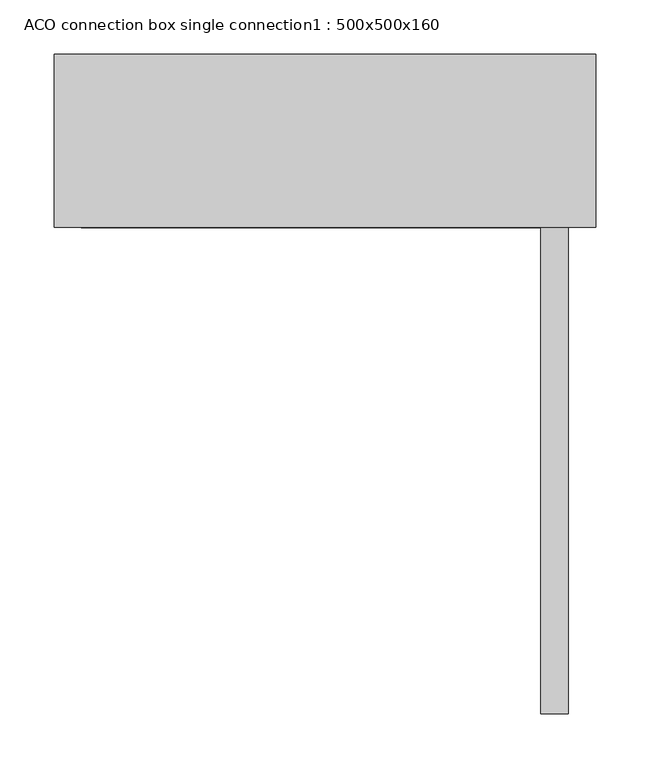
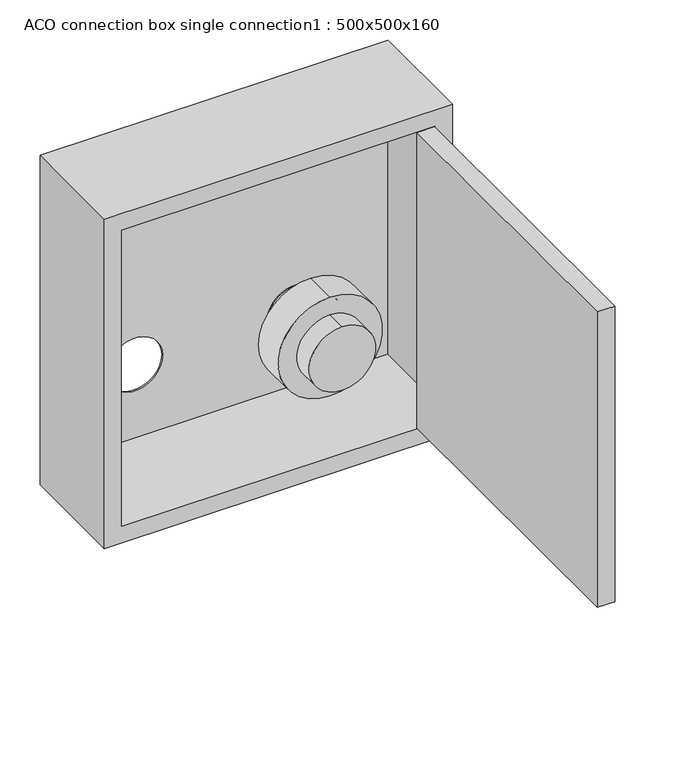
"""IFC4 building model written with IfcOpenShell, lengths in millimetres: furniture geometry, ACO connection box single connection1 : 500x500x160."""

from ifc_helpers import new_model, si_unit, point, frame, frame_2d, origin, place, context, project, spatial, polyline, circle_curve, trimmed, segment, composite_curve, outline, extrude, source, transform, mapped, element, save
from ifc_brep_helpers import plane_surface, cylinder_surface, revolved_surface, advanced_brep


def aco_connection_box_single_connection1_500x500x160_e2bdd59b(model_context):
    return source(origin(), model_context, "Body", "SolidModel", [
        extrude(outline(composite_curve([segment(trimmed(circle_curve(frame_2d((136.5, 115.0)), 25.0), [point((111.5, 115.0))], [point((161.5, 115.0))], False, "CARTESIAN"), True, "CONTINUOUS"), segment(trimmed(circle_curve(frame_2d((136.5, 115.0)), 25.0), [point((161.5, 115.0))], [point((111.5, 115.0))], False, "CARTESIAN"), True, "CONTINUOUS")], self_intersect=False)), frame((0.0, 148.0, 0.0), z_axis=(0.0, 1.0, 0.0), x_axis=(0.0, 0.0, 1.0)), (0.0, 0.0, 1.0), 12.0),
        advanced_brep(
        [(115.0, 148.0, 88.5), (115.0, 148.0, 184.5), (115.0, 40.0, 88.5), (115.0, 40.0, 184.5), (115.0, 118.0, 184.5), (115.0, 118.0, 88.5), (115.0, 70.0, 88.5), (115.0, 70.0, 184.5), (115.0, 118.0, 61.5), (115.0, 118.0, 211.5), (115.0, 70.0, 61.5), (115.0, 70.0, 211.5)],
        [
            (0, 1, circle_curve(frame((115.0, 148.0, 136.5), z_axis=(0.0, 1.0, 0.0), x_axis=(0.0, 0.0, 1.0)), 48.0)),
            (1, 0, circle_curve(frame((115.0, 148.0, 136.5), z_axis=(0.0, 1.0, 0.0), x_axis=(0.0, 0.0, 1.0)), 48.0)),
            (2, 3, circle_curve(frame((115.0, 40.0, 136.5), z_axis=(0.0, -1.0, 0.0), x_axis=(0.0, 0.0, 1.0)), 48.0)),
            (3, 2, circle_curve(frame((115.0, 40.0, 136.5), z_axis=(0.0, -1.0, 0.0), x_axis=(0.0, 0.0, 1.0)), 48.0)),
            (1, 4),
            (4, 5, circle_curve(frame((115.0, 118.0, 136.5), z_axis=(0.0, 1.0, 0.0), x_axis=(0.0, 0.0, 1.0)), 48.0)),
            (5, 0),
            (2, 6),
            (6, 7, circle_curve(frame((115.0, 70.0, 136.5), z_axis=(0.0, -1.0, 0.0), x_axis=(0.0, 0.0, 1.0)), 48.0)),
            (7, 3),
            (5, 4, circle_curve(frame((115.0, 118.0, 136.5), z_axis=(0.0, 1.0, 0.0), x_axis=(0.0, 0.0, 1.0)), 48.0)),
            (7, 6, circle_curve(frame((115.0, 70.0, 136.5), z_axis=(0.0, -1.0, 0.0), x_axis=(0.0, 0.0, 1.0)), 48.0)),
            (8, 9, circle_curve(frame((115.0, 118.0, 136.5), z_axis=(0.0, 1.0, 0.0), x_axis=(0.0, 0.0, 1.0)), 75.0)),
            (9, 8, circle_curve(frame((115.0, 118.0, 136.5), z_axis=(0.0, 1.0, 0.0), x_axis=(0.0, 0.0, 1.0)), 75.0)),
            (10, 11, circle_curve(frame((115.0, 70.0, 136.5), z_axis=(0.0, -1.0, 0.0), x_axis=(0.0, 0.0, 1.0)), 75.0)),
            (11, 10, circle_curve(frame((115.0, 70.0, 136.5), z_axis=(0.0, -1.0, 0.0), x_axis=(0.0, 0.0, 1.0)), 75.0)),
            (9, 11),
            (10, 8),
        ],
        [
            plane_surface(frame((115.0, 148.0, 184.5), z_axis=(0.0, 1.0, 0.0), x_axis=(1.0, 0.0, 0.0))),
            plane_surface(frame((115.0, 40.0, 184.5), z_axis=(0.0, -1.0, 0.0), x_axis=(-1.0, 0.0, 0.0))),
            cylinder_surface(frame((115.0, 148.0, 136.5), z_axis=(0.0, -1.0, 0.0), x_axis=(0.0, 0.0, 1.0)), 48.0),
            plane_surface(frame((115.0, 118.0, 211.5), z_axis=(0.0, 1.0, 0.0), x_axis=(1.0, 0.0, 0.0))),
            plane_surface(frame((115.0, 70.0, 211.5), z_axis=(0.0, -1.0, 0.0), x_axis=(-1.0, 0.0, 0.0))),
            cylinder_surface(frame((115.0, 118.0, 136.5), z_axis=(0.0, -1.0, 0.0), x_axis=(0.0, 0.0, 1.0)), 75.0),
        ],
        [
            (0, [[1, 2]]),
            (1, [[3, 4]]),
            (2, [[-2, 5, 6, 7]]),
            (2, [[-3, 8, 9, 10]]),
            (2, [[-1, -7, 11, -5]]),
            (2, [[-4, -10, 12, -8]]),
            (3, [[13, 14], [-6, -11]]),
            (4, [[15, 16], [-9, -12]]),
            (5, [[-14, 17, -15, 18]]),
            (5, [[-13, -18, -16, -17]]),
        ],
    ),
        extrude(outline(polyline([(199.5, -449.0), (199.5, 0.0), (224.5, 0.0), (224.5, -449.0), (199.5, -449.0)])), frame((0.0, 0.0, 25.5), z_axis=(0.0, 0.0, 1.0), x_axis=(1.0, 0.0, 0.0)), (0.0, 0.0, 1.0), 449.0),
        advanced_brep(
        [(250.0, 160.0, 500.0), (-250.0, 160.0, 500.0), (-250.0, 0.0, 500.0), (250.0, 0.0, 500.0), (250.0, 160.0, 0.0), (250.0, 0.0, 0.0), (-250.0, 0.0, 0.0), (-250.0, 160.0, 0.0), (-155.0, 160.0, 136.5), (-75.0, 160.0, 136.5), (75.0, 160.0, 136.5), (155.0, 160.0, 136.5), (-225.0, 0.0, 475.0), (225.0, 0.0, 475.0), (225.0, 0.0, 25.0), (-225.0, 0.0, 25.0), (248.0, 158.0, 475.0), (248.0, 2.0, 475.0), (225.0, 2.0, 475.0), (-225.0, 2.0, 475.0), (-248.0, 2.0, 475.0), (-248.0, 158.0, 475.0), (248.0, 158.0, 25.0), (-248.0, 158.0, 25.0), (-248.0, 2.0, 25.0), (-225.0, 2.0, 25.0), (225.0, 2.0, 25.0), (248.0, 2.0, 25.0), (-75.0, 158.0, 136.5), (-155.0, 158.0, 136.5), (155.0, 158.0, 136.5), (75.0, 158.0, 136.5)],
        [
            (0, 1),
            (1, 2),
            (2, 3),
            (3, 0),
            (4, 5),
            (5, 6),
            (6, 7),
            (7, 4),
            (0, 4),
            (7, 1),
            (8, 9, circle_curve(frame((-115.0, 160.0, 136.5), z_axis=(0.0, -1.0, 0.0), x_axis=(1.0, 0.0, 0.0)), 40.0)),
            (9, 8, circle_curve(frame((-115.0, 160.0, 136.5), z_axis=(0.0, -1.0, 0.0), x_axis=(1.0, 0.0, 0.0)), 40.0)),
            (10, 11, circle_curve(frame((115.0, 160.0, 136.5), z_axis=(0.0, -1.0, 0.0), x_axis=(1.0, 0.0, 0.0)), 40.0)),
            (11, 10, circle_curve(frame((115.0, 160.0, 136.5), z_axis=(0.0, -1.0, 0.0), x_axis=(1.0, 0.0, 0.0)), 40.0)),
            (6, 2),
            (5, 3),
            (12, 13),
            (13, 14),
            (14, 15),
            (15, 12),
            (16, 17),
            (17, 18),
            (18, 13),
            (12, 19),
            (19, 20),
            (20, 21),
            (21, 16),
            (22, 23),
            (23, 24),
            (24, 25),
            (25, 15),
            (14, 26),
            (26, 27),
            (27, 22),
            (21, 23),
            (22, 16),
            (28, 29, circle_curve(frame((-115.0, 158.0, 136.5), z_axis=(0.0, 1.0, 0.0), x_axis=(1.0, 0.0, 0.0)), 40.0)),
            (29, 28, circle_curve(frame((-115.0, 158.0, 136.5), z_axis=(0.0, 1.0, 0.0), x_axis=(1.0, 0.0, 0.0)), 40.0)),
            (30, 31, circle_curve(frame((115.0, 158.0, 136.5), z_axis=(0.0, 1.0, 0.0), x_axis=(1.0, 0.0, 0.0)), 40.0)),
            (31, 30, circle_curve(frame((115.0, 158.0, 136.5), z_axis=(0.0, 1.0, 0.0), x_axis=(1.0, 0.0, 0.0)), 40.0)),
            (27, 17),
            (20, 24),
            (19, 25),
            (18, 26),
            (28, 9),
            (8, 29),
            (30, 11),
            (10, 31),
        ],
        [
            plane_surface(frame((-250.0, 160.0, 500.0), z_axis=(0.0, 0.0, 1.0), x_axis=(-1.0, 0.0, 0.0))),
            plane_surface(frame((-250.0, 160.0, 0.0), z_axis=(0.0, 0.0, -1.0), x_axis=(1.0, 0.0, 0.0))),
            plane_surface(frame((250.0, 160.0, 500.0), z_axis=(0.0, 1.0, 0.0), x_axis=(0.0, 0.0, -1.0))),
            plane_surface(frame((-250.0, 160.0, 500.0), z_axis=(-1.0, 0.0, 0.0), x_axis=(0.0, 0.0, -1.0))),
            plane_surface(frame((-250.0, 0.0, 500.0), z_axis=(0.0, -1.0, 0.0), x_axis=(0.0, 0.0, -1.0))),
            plane_surface(frame((250.0, 0.0, 500.0), z_axis=(1.0, 0.0, 0.0), x_axis=(0.0, 0.0, -1.0))),
            plane_surface(frame((-248.0, 158.0, 475.0), z_axis=(0.0, 0.0, -1.0), x_axis=(-1.0, 0.0, 0.0))),
            plane_surface(frame((-248.0, 158.0, 25.0), z_axis=(0.0, 0.0, 1.0), x_axis=(1.0, 0.0, 0.0))),
            plane_surface(frame((248.0, 158.0, 475.0), z_axis=(0.0, -1.0, 0.0), x_axis=(0.0, 0.0, -1.0))),
            plane_surface(frame((248.0, 2.0, 475.0), z_axis=(-1.0, 0.0, 0.0), x_axis=(0.0, 0.0, -1.0))),
            plane_surface(frame((-248.0, 158.0, 475.0), z_axis=(1.0, 0.0, 0.0), x_axis=(0.0, 0.0, -1.0))),
            plane_surface(frame((-248.0, 2.0, 475.0), z_axis=(0.0, 1.0, 0.0), x_axis=(0.0, 0.0, -1.0))),
            plane_surface(frame((-225.0, 2.0, 475.0), z_axis=(1.0, 0.0, 0.0), x_axis=(0.0, 0.0, -1.0))),
            plane_surface(frame((225.0, 0.0, 475.0), z_axis=(-1.0, 0.0, 0.0), x_axis=(0.0, 0.0, -1.0))),
            plane_surface(frame((225.0, 2.0, 475.0), z_axis=(0.0, 1.0, 0.0), x_axis=(0.0, 0.0, -1.0))),
            revolved_surface(polyline([(-75.0, 158.0, 136.5), (-75.0, 160.0, 136.5)]), (-115.0, 160.0, 136.5), (0.0, -1.0, 0.0)),
            revolved_surface(polyline([(155.0, 158.0, 136.5), (155.0, 160.0, 136.5)]), (115.0, 160.0, 136.5), (0.0, -1.0, 0.0)),
        ],
        [
            (0, [[1, 2, 3, 4]]),
            (1, [[5, 6, 7, 8]]),
            (2, [[-1, 9, -8, 10], [11, 12], [13, 14]]),
            (3, [[-2, -10, -7, 15]]),
            (4, [[-3, -15, -6, 16], [17, 18, 19, 20]]),
            (5, [[-4, -16, -5, -9]]),
            (6, [[21, 22, 23, -17, 24, 25, 26, 27]]),
            (7, [[28, 29, 30, 31, -19, 32, 33, 34]]),
            (8, [[-27, 35, -28, 36], [37, 38], [39, 40]]),
            (9, [[-21, -36, -34, 41]]),
            (10, [[-26, 42, -29, -35]]),
            (11, [[-25, 43, -30, -42]]),
            (12, [[-24, -20, -31, -43]]),
            (13, [[-23, 44, -32, -18]]),
            (14, [[-22, -41, -33, -44]]),
            (15, [[45, -11, 46, -37]]),
            (15, [[-45, -38, -46, -12]]),
            (16, [[47, -13, 48, -39]]),
            (16, [[-47, -40, -48, -14]]),
        ],
    ),
    ])


if __name__ == "__main__":
    model = new_model("IFC4")
    model_context = context("Model", 3, world=origin())
    ifc_project = project(units=[si_unit("LENGTHUNIT", "METRE", prefix="MILLI")], contexts=[model_context])
    site = spatial("IfcSite", under=ifc_project)
    building = spatial("IfcBuilding", under=site)
    placement = place(None, origin())
    aco_connection_box_single_connection1_500x500x160_shape = aco_connection_box_single_connection1_500x500x160_e2bdd59b(model_context)
    element("IfcFurniture", 1, ObjectType="ACO connection box single connection1 : 500x500x160", at=placement, inside=building, context=model_context, shape_type="MappedRepresentation", body=[
        mapped(aco_connection_box_single_connection1_500x500x160_shape, transform((0.0, 0.0, 0.0), x_axis=(1.0, 0.0, 0.0), y_axis=(0.0, 1.0, 0.0), z_axis=(0.0, 0.0, 1.0))),
    ])
    save(model, "model.ifc")
